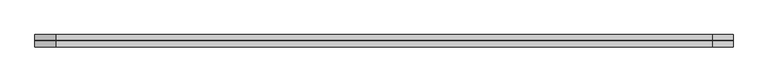
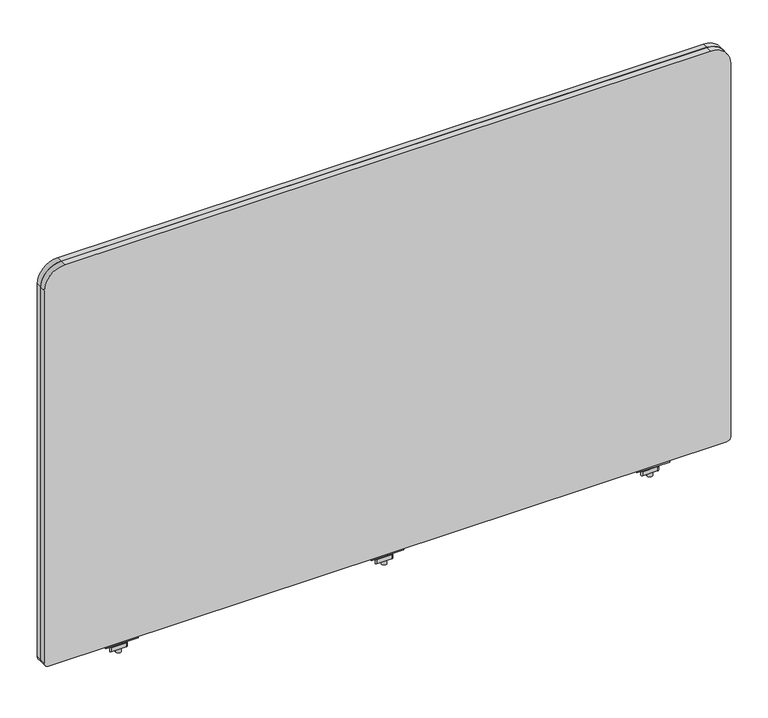
"""IFC4 building model written with IfcOpenShell, lengths in millimetres: furniture geometry."""

from ifc_helpers import new_model, si_unit, frame, origin, place, context, project, spatial, polyline, circle_curve, source, transform, mapped, element, save
from ifc_brep_helpers import plane_surface, cylinder_surface, revolved_surface, advanced_brep


def furniture_5d1065ba(model_context):
    return source(origin(), model_context, "Body", "AdvancedBrep", [
        advanced_brep(
        [(558.9013004, -29.196837, 670.6616072), (558.9013004, -33.5530914, 671.3021931), (558.9013004, -43.8905804, 671.3021931), (558.9013004, -48.246837, 670.6616072), (558.9013004, -48.246837, 668.8074326), (558.9013004, -29.196837, 668.8074326), (508.1013035, -29.196837, 670.6616072), (508.1013035, -29.196837, 668.8074326), (508.1013035, -48.246837, 668.8074326), (508.1013035, -48.246837, 670.6616072), (508.1013035, -43.8905804, 671.3021931), (508.1013035, -33.5530914, 671.3021931), (529.4085233, -38.7342719, 668.8074326), (537.3914767, -38.7342719, 668.8074326), (537.3914767, -38.7342719, 671.3021931), (529.4085233, -38.7342719, 671.3021931), (529.4085233, -38.7342719, 650.2879234), (537.3914767, -38.7342719, 650.2879234), (529.4085233, -38.7342719, 676.3883652), (537.3914767, -38.7342719, 676.3883652), (529.4085233, -38.7342719, 665.4211567), (537.3914767, -38.7342719, 665.4211567), (537.3914767, -38.7342719, 659.0711809), (529.4085233, -38.7342719, 659.0711809), (523.0839918, -33.0068357, 665.4211567), (516.9248209, -43.6748356, 665.4211567), (518.2446433, -45.9608347, 665.4211567), (541.2772346, -45.9608347, 665.4211567), (543.9168771, -44.4368361, 665.4211567), (550.0760487, -33.7688351, 665.4211567), (548.7562256, -31.4828349, 665.4211567), (525.7236383, -31.4828349, 665.4211567), (523.0839918, -33.0068357, 659.0711809), (525.7236383, -31.4828349, 659.0711809), (548.7562256, -31.4828349, 659.0711809), (550.0760487, -33.7688351, 659.0711809), (543.9168771, -44.4368361, 659.0711809), (541.2772346, -45.9608347, 659.0711809), (518.2446433, -45.9608347, 659.0711809), (516.9248209, -43.6748356, 659.0711809)],
        [
            (0, 1),
            (1, 2),
            (2, 3),
            (3, 4),
            (4, 5),
            (5, 0),
            (6, 7),
            (7, 8),
            (8, 9),
            (9, 10),
            (10, 11),
            (11, 6),
            (5, 7),
            (6, 0),
            (4, 8),
            (12, 13, circle_curve(frame((533.4, -38.7342719, 668.8074326), z_axis=(0.0, 0.0, 1.0), x_axis=(1.0, 0.0, 0.0)), 3.9914767)),
            (13, 12, circle_curve(frame((533.4, -38.7342719, 668.8074326), z_axis=(0.0, 0.0, 1.0), x_axis=(1.0, 0.0, 0.0)), 3.9914767)),
            (3, 9),
            (2, 10),
            (1, 11),
            (14, 15, circle_curve(frame((533.4, -38.7342719, 671.3021931), z_axis=(0.0, 0.0, -1.0), x_axis=(1.0, 0.0, 0.0)), 3.9914767)),
            (15, 14, circle_curve(frame((533.4, -38.7342719, 671.3021931), z_axis=(0.0, 0.0, -1.0), x_axis=(1.0, 0.0, 0.0)), 3.9914767)),
            (16, 17, circle_curve(frame((533.4, -38.7342719, 650.2879234), z_axis=(0.0, 0.0, -1.0), x_axis=(1.0, 0.0, 0.0)), 3.9914767)),
            (17, 16, circle_curve(frame((533.4, -38.7342719, 650.2879234), z_axis=(0.0, 0.0, -1.0), x_axis=(1.0, 0.0, 0.0)), 3.9914767)),
            (18, 19, circle_curve(frame((533.4, -38.7342719, 676.3883652), z_axis=(0.0, 0.0, 1.0), x_axis=(1.0, 0.0, 0.0)), 3.9914767)),
            (19, 18, circle_curve(frame((533.4, -38.7342719, 676.3883652), z_axis=(0.0, 0.0, 1.0), x_axis=(1.0, 0.0, 0.0)), 3.9914767)),
            (12, 20),
            (20, 21, circle_curve(frame((533.4, -38.7342719, 665.4211567), z_axis=(0.0, 0.0, 1.0), x_axis=(1.0, 0.0, 0.0)), 3.9914767)),
            (21, 13),
            (17, 22),
            (22, 23, circle_curve(frame((533.4, -38.7342719, 659.0711809), z_axis=(0.0, 0.0, -1.0), x_axis=(1.0, 0.0, 0.0)), 3.9914767)),
            (23, 16),
            (18, 15),
            (14, 19),
            (21, 20, circle_curve(frame((533.4, -38.7342719, 665.4211567), z_axis=(0.0, 0.0, 1.0), x_axis=(1.0, 0.0, 0.0)), 3.9914767)),
            (23, 22, circle_curve(frame((533.4, -38.7342719, 659.0711809), z_axis=(0.0, 0.0, -1.0), x_axis=(1.0, 0.0, 0.0)), 3.9914767)),
            (24, 25),
            (25, 26, circle_curve(frame((518.2446433, -44.4368352, 665.4211567), z_axis=(0.0, 0.0, 1.0), x_axis=(1.0, 0.0, 0.0)), 1.5239995)),
            (26, 27),
            (27, 28, circle_curve(frame((541.2772346, -42.9128382, 665.4211567), z_axis=(0.0, 0.0, 1.0), x_axis=(1.0, 0.0, 0.0)), 3.0479965)),
            (28, 29),
            (29, 30, circle_curve(frame((548.7562256, -33.0068351, 665.4211567), z_axis=(0.0, 0.0, 1.0), x_axis=(1.0, 0.0, 0.0)), 1.5240003)),
            (30, 31),
            (31, 24, circle_curve(frame((525.7236383, -34.5308359, 665.4211567), z_axis=(0.0, 0.0, 1.0), x_axis=(1.0, 0.0, 0.0)), 3.048001)),
            (32, 33, circle_curve(frame((525.7236383, -34.5308359, 659.0711809), z_axis=(0.0, 0.0, -1.0), x_axis=(1.0, 0.0, 0.0)), 3.048001)),
            (33, 34),
            (34, 35, circle_curve(frame((548.7562256, -33.0068351, 659.0711809), z_axis=(0.0, 0.0, -1.0), x_axis=(1.0, 0.0, 0.0)), 1.5240003)),
            (35, 36),
            (36, 37, circle_curve(frame((541.2772346, -42.9128382, 659.0711809), z_axis=(0.0, 0.0, -1.0), x_axis=(1.0, 0.0, 0.0)), 3.0479965)),
            (37, 38),
            (38, 39, circle_curve(frame((518.2446433, -44.4368352, 659.0711809), z_axis=(0.0, 0.0, -1.0), x_axis=(1.0, 0.0, 0.0)), 1.5239995)),
            (39, 32),
            (24, 32),
            (39, 25),
            (38, 26),
            (37, 27),
            (36, 28),
            (35, 29),
            (34, 30),
            (33, 31),
        ],
        [
            plane_surface(frame((558.9013004, -33.5530914, 671.3021931), z_axis=(1.0000000000000002, 0.0, 0.0), x_axis=(0.0, -0.9893604345476915, 0.14548515577749913))),
            plane_surface(frame((508.1013035, -33.5530914, 671.3021931), z_axis=(-1.0000000000000002, 0.0, 0.0), x_axis=(0.0, 0.9893604345476915, -0.14548515577749913))),
            plane_surface(frame((558.9013004, -29.196837, 668.8074326), z_axis=(0.0, 1.0, 0.0), x_axis=(-1.0, 0.0, 0.0))),
            plane_surface(frame((558.9013004, -48.246837, 668.8074326), z_axis=(0.0, 0.0, -1.0), x_axis=(-1.0, 0.0, 0.0))),
            plane_surface(frame((558.9013004, -48.246837, 670.6616072), z_axis=(0.0, -1.0, 0.0), x_axis=(-1.0, 0.0, 0.0))),
            plane_surface(frame((558.9013004, -43.8905804, 671.3021931), z_axis=(0.0, -0.1454850815406733, 0.9893604454641917), x_axis=(-1.0, 0.0, 0.0))),
            plane_surface(frame((558.9013004, -33.5530914, 671.3021931), z_axis=(0.0, 0.0, 1.0), x_axis=(-1.0, 0.0, 0.0))),
            plane_surface(frame((558.9013004, -29.196837, 670.6616072), z_axis=(0.0, 0.14548515577749913, 0.9893604345476915), x_axis=(-1.0, 0.0, 0.0))),
            plane_surface(frame((537.3914767, -38.7342719, 650.2879234), z_axis=(0.0, 0.0, -1.0), x_axis=(0.0, -1.0, 0.0))),
            plane_surface(frame((537.3914767, -38.7342719, 676.3883652), z_axis=(0.0, 0.0, 1.0), x_axis=(0.0, 1.0, 0.0))),
            cylinder_surface(frame((533.4, -38.7342719, 650.2879234), z_axis=(0.0, 0.0, 1.0), x_axis=(1.0, 0.0, 0.0)), 3.9914767),
            plane_surface(frame((516.9248201, -43.6748369, 665.4211567), z_axis=(0.0, 0.0, 1.0000000000000002), x_axis=(-0.4999998964528706, -0.8660254635673935, 0.0))),
            plane_surface(frame((516.9248201, -43.6748369, 659.0711809), z_axis=(0.0, 0.0, -1.0000000000000002), x_axis=(0.4999998964528706, 0.8660254635673935, 0.0))),
            plane_surface(frame((523.0839918, -33.0068357, 665.4211567), z_axis=(-0.8660254635673935, 0.4999998964528706, 0.0), x_axis=(0.0, 0.0, -1.0))),
            cylinder_surface(frame((518.2446433, -44.4368352, 659.0711809), z_axis=(0.0, 0.0, 1.0), x_axis=(1.0, 0.0, 0.0)), 1.5239995),
            plane_surface(frame((518.2446433, -45.9608347, 665.4211567), z_axis=(0.0, -1.0, 0.0), x_axis=(0.0, 0.0, -1.0))),
            cylinder_surface(frame((541.2772346, -42.9128382, 659.0711809), z_axis=(0.0, 0.0, 1.0), x_axis=(1.0, 0.0, 0.0)), 3.0479965),
            plane_surface(frame((543.9168771, -44.4368361, 665.4211567), z_axis=(0.8660254635674228, -0.4999998964528197, 0.0), x_axis=(0.0, 0.0, -1.0))),
            cylinder_surface(frame((548.7562256, -33.0068351, 659.0711809), z_axis=(0.0, 0.0, 1.0), x_axis=(1.0, 0.0, 0.0)), 1.5240003),
            plane_surface(frame((548.7562256, -31.4828349, 665.4211567), z_axis=(0.0, 1.0, 0.0), x_axis=(0.0, 0.0, -1.0))),
            cylinder_surface(frame((525.7236383, -34.5308359, 659.0711809), z_axis=(0.0, 0.0, 1.0), x_axis=(1.0, 0.0, 0.0)), 3.048001),
        ],
        [
            (0, [[1, 2, 3, 4, 5, 6]]),
            (1, [[7, 8, 9, 10, 11, 12]]),
            (2, [[-6, 13, -7, 14]]),
            (3, [[-5, 15, -8, -13], [16, 17]]),
            (4, [[-4, 18, -9, -15]]),
            (5, [[-3, 19, -10, -18]]),
            (6, [[-2, 20, -11, -19], [21, 22]]),
            (7, [[-1, -14, -12, -20]]),
            (8, [[23, 24]]),
            (9, [[25, 26]]),
            (10, [[-16, 27, 28, 29]]),
            (10, [[-24, 30, 31, 32]]),
            (10, [[-25, 33, -21, 34]]),
            (10, [[-17, -29, 35, -27]]),
            (10, [[-23, -32, 36, -30]]),
            (10, [[-26, -34, -22, -33]]),
            (11, [[37, 38, 39, 40, 41, 42, 43, 44], [-28, -35]]),
            (12, [[45, 46, 47, 48, 49, 50, 51, 52], [-31, -36]]),
            (13, [[-37, 53, -52, 54]]),
            (14, [[-38, -54, -51, 55]]),
            (15, [[-39, -55, -50, 56]]),
            (16, [[-40, -56, -49, 57]]),
            (17, [[-41, -57, -48, 58]]),
            (18, [[-42, -58, -47, 59]]),
            (19, [[-43, -59, -46, 60]]),
            (20, [[-44, -60, -45, -53]]),
        ],
    ),
        advanced_brep(
        [(970.6353004, -29.196837, 670.6616072), (970.6353004, -33.5530914, 671.3021931), (970.6353004, -43.8905804, 671.3021931), (970.6353004, -48.246837, 670.6616072), (970.6353004, -48.246837, 668.8074326), (970.6353004, -29.196837, 668.8074326), (919.8353035, -29.196837, 670.6616072), (919.8353035, -29.196837, 668.8074326), (919.8353035, -48.246837, 668.8074326), (919.8353035, -48.246837, 670.6616072), (919.8353035, -43.8905804, 671.3021931), (919.8353035, -33.5530914, 671.3021931), (941.1425233, -38.7342719, 668.8074326), (949.1254767, -38.7342719, 668.8074326), (949.1254767, -38.7342719, 671.3021931), (941.1425233, -38.7342719, 671.3021931), (941.1425233, -38.7342719, 650.2879234), (949.1254767, -38.7342719, 650.2879234), (941.1425233, -38.7342719, 676.3883652), (949.1254767, -38.7342719, 676.3883652), (941.1425233, -38.7342719, 665.4211567), (949.1254767, -38.7342719, 665.4211567), (949.1254767, -38.7342719, 659.0711809), (941.1425233, -38.7342719, 659.0711809), (934.8179918, -33.0068357, 665.4211567), (928.6588209, -43.6748356, 665.4211567), (929.9786433, -45.9608347, 665.4211567), (953.0112346, -45.9608347, 665.4211567), (955.6508771, -44.4368361, 665.4211567), (961.8100487, -33.7688351, 665.4211567), (960.4902256, -31.4828349, 665.4211567), (937.4576383, -31.4828349, 665.4211567), (934.8179918, -33.0068357, 659.0711809), (937.4576383, -31.4828349, 659.0711809), (960.4902256, -31.4828349, 659.0711809), (961.8100487, -33.7688351, 659.0711809), (955.6508771, -44.4368361, 659.0711809), (953.0112346, -45.9608347, 659.0711809), (929.9786433, -45.9608347, 659.0711809), (928.6588209, -43.6748356, 659.0711809)],
        [
            (0, 1),
            (1, 2),
            (2, 3),
            (3, 4),
            (4, 5),
            (5, 0),
            (6, 7),
            (7, 8),
            (8, 9),
            (9, 10),
            (10, 11),
            (11, 6),
            (5, 7),
            (6, 0),
            (4, 8),
            (12, 13, circle_curve(frame((945.134, -38.7342719, 668.8074326), z_axis=(0.0, 0.0, 1.0), x_axis=(1.0, 0.0, 0.0)), 3.9914767)),
            (13, 12, circle_curve(frame((945.134, -38.7342719, 668.8074326), z_axis=(0.0, 0.0, 1.0), x_axis=(1.0, 0.0, 0.0)), 3.9914767)),
            (3, 9),
            (2, 10),
            (1, 11),
            (14, 15, circle_curve(frame((945.134, -38.7342719, 671.3021931), z_axis=(0.0, 0.0, -1.0), x_axis=(1.0, 0.0, 0.0)), 3.9914767)),
            (15, 14, circle_curve(frame((945.134, -38.7342719, 671.3021931), z_axis=(0.0, 0.0, -1.0), x_axis=(1.0, 0.0, 0.0)), 3.9914767)),
            (16, 17, circle_curve(frame((945.134, -38.7342719, 650.2879234), z_axis=(0.0, 0.0, -1.0), x_axis=(1.0, 0.0, 0.0)), 3.9914767)),
            (17, 16, circle_curve(frame((945.134, -38.7342719, 650.2879234), z_axis=(0.0, 0.0, -1.0), x_axis=(1.0, 0.0, 0.0)), 3.9914767)),
            (18, 19, circle_curve(frame((945.134, -38.7342719, 676.3883652), z_axis=(0.0, 0.0, 1.0), x_axis=(1.0, 0.0, 0.0)), 3.9914767)),
            (19, 18, circle_curve(frame((945.134, -38.7342719, 676.3883652), z_axis=(0.0, 0.0, 1.0), x_axis=(1.0, 0.0, 0.0)), 3.9914767)),
            (12, 20),
            (20, 21, circle_curve(frame((945.134, -38.7342719, 665.4211567), z_axis=(0.0, 0.0, 1.0), x_axis=(1.0, 0.0, 0.0)), 3.9914767)),
            (21, 13),
            (17, 22),
            (22, 23, circle_curve(frame((945.134, -38.7342719, 659.0711809), z_axis=(0.0, 0.0, -1.0), x_axis=(1.0, 0.0, 0.0)), 3.9914767)),
            (23, 16),
            (18, 15),
            (14, 19),
            (21, 20, circle_curve(frame((945.134, -38.7342719, 665.4211567), z_axis=(0.0, 0.0, 1.0), x_axis=(1.0, 0.0, 0.0)), 3.9914767)),
            (23, 22, circle_curve(frame((945.134, -38.7342719, 659.0711809), z_axis=(0.0, 0.0, -1.0), x_axis=(1.0, 0.0, 0.0)), 3.9914767)),
            (24, 25),
            (25, 26, circle_curve(frame((929.9786433, -44.4368352, 665.4211567), z_axis=(0.0, 0.0, 1.0), x_axis=(1.0, 0.0, 0.0)), 1.5239995)),
            (26, 27),
            (27, 28, circle_curve(frame((953.0112346, -42.9128382, 665.4211567), z_axis=(0.0, 0.0, 1.0), x_axis=(1.0, 0.0, 0.0)), 3.0479965)),
            (28, 29),
            (29, 30, circle_curve(frame((960.4902256, -33.0068351, 665.4211567), z_axis=(0.0, 0.0, 1.0), x_axis=(1.0, 0.0, 0.0)), 1.5240003)),
            (30, 31),
            (31, 24, circle_curve(frame((937.4576383, -34.5308359, 665.4211567), z_axis=(0.0, 0.0, 1.0), x_axis=(1.0, 0.0, 0.0)), 3.048001)),
            (32, 33, circle_curve(frame((937.4576383, -34.5308359, 659.0711809), z_axis=(0.0, 0.0, -1.0), x_axis=(1.0, 0.0, 0.0)), 3.048001)),
            (33, 34),
            (34, 35, circle_curve(frame((960.4902256, -33.0068351, 659.0711809), z_axis=(0.0, 0.0, -1.0), x_axis=(1.0, 0.0, 0.0)), 1.5240003)),
            (35, 36),
            (36, 37, circle_curve(frame((953.0112346, -42.9128382, 659.0711809), z_axis=(0.0, 0.0, -1.0), x_axis=(1.0, 0.0, 0.0)), 3.0479965)),
            (37, 38),
            (38, 39, circle_curve(frame((929.9786433, -44.4368352, 659.0711809), z_axis=(0.0, 0.0, -1.0), x_axis=(1.0, 0.0, 0.0)), 1.5239995)),
            (39, 32),
            (24, 32),
            (39, 25),
            (38, 26),
            (37, 27),
            (36, 28),
            (35, 29),
            (34, 30),
            (33, 31),
        ],
        [
            plane_surface(frame((970.6353004, -33.5530914, 671.3021931), z_axis=(1.0000000000000002, 0.0, 0.0), x_axis=(0.0, -0.9893604345476915, 0.14548515577749913))),
            plane_surface(frame((919.8353035, -33.5530914, 671.3021931), z_axis=(-1.0000000000000002, 0.0, 0.0), x_axis=(0.0, 0.9893604345476915, -0.14548515577749913))),
            plane_surface(frame((970.6353004, -29.196837, 668.8074326), z_axis=(0.0, 1.0, 0.0), x_axis=(-1.0, 0.0, 0.0))),
            plane_surface(frame((970.6353004, -48.246837, 668.8074326), z_axis=(0.0, 0.0, -1.0), x_axis=(-1.0, 0.0, 0.0))),
            plane_surface(frame((970.6353004, -48.246837, 670.6616072), z_axis=(0.0, -1.0, 0.0), x_axis=(-1.0, 0.0, 0.0))),
            plane_surface(frame((970.6353004, -43.8905804, 671.3021931), z_axis=(0.0, -0.1454850815406733, 0.9893604454641917), x_axis=(-1.0, 0.0, 0.0))),
            plane_surface(frame((970.6353004, -33.5530914, 671.3021931), z_axis=(0.0, 0.0, 1.0), x_axis=(-1.0, 0.0, 0.0))),
            plane_surface(frame((970.6353004, -29.196837, 670.6616072), z_axis=(0.0, 0.14548515577749913, 0.9893604345476915), x_axis=(-1.0, 0.0, 0.0))),
            plane_surface(frame((949.1254767, -38.7342719, 650.2879234), z_axis=(0.0, 0.0, -1.0), x_axis=(0.0, -1.0, 0.0))),
            plane_surface(frame((949.1254767, -38.7342719, 676.3883652), z_axis=(0.0, 0.0, 1.0), x_axis=(0.0, 1.0, 0.0))),
            cylinder_surface(frame((945.134, -38.7342719, 650.2879234), z_axis=(0.0, 0.0, 1.0), x_axis=(1.0, 0.0, 0.0)), 3.9914767),
            plane_surface(frame((928.6588201, -43.6748369, 665.4211567), z_axis=(0.0, 0.0, 1.0000000000000002), x_axis=(-0.4999998964528706, -0.8660254635673935, 0.0))),
            plane_surface(frame((928.6588201, -43.6748369, 659.0711809), z_axis=(0.0, 0.0, -1.0000000000000002), x_axis=(0.4999998964528706, 0.8660254635673935, 0.0))),
            plane_surface(frame((934.8179918, -33.0068357, 665.4211567), z_axis=(-0.8660254635673935, 0.4999998964528706, 0.0), x_axis=(0.0, 0.0, -1.0))),
            cylinder_surface(frame((929.9786433, -44.4368352, 659.0711809), z_axis=(0.0, 0.0, 1.0), x_axis=(1.0, 0.0, 0.0)), 1.5239995),
            plane_surface(frame((929.9786433, -45.9608347, 665.4211567), z_axis=(0.0, -1.0, 0.0), x_axis=(0.0, 0.0, -1.0))),
            cylinder_surface(frame((953.0112346, -42.9128382, 659.0711809), z_axis=(0.0, 0.0, 1.0), x_axis=(1.0, 0.0, 0.0)), 3.0479965),
            plane_surface(frame((955.6508771, -44.4368361, 665.4211567), z_axis=(0.8660254635674228, -0.4999998964528197, 0.0), x_axis=(0.0, 0.0, -1.0))),
            cylinder_surface(frame((960.4902256, -33.0068351, 659.0711809), z_axis=(0.0, 0.0, 1.0), x_axis=(1.0, 0.0, 0.0)), 1.5240003),
            plane_surface(frame((960.4902256, -31.4828349, 665.4211567), z_axis=(0.0, 1.0, 0.0), x_axis=(0.0, 0.0, -1.0))),
            cylinder_surface(frame((937.4576383, -34.5308359, 659.0711809), z_axis=(0.0, 0.0, 1.0), x_axis=(1.0, 0.0, 0.0)), 3.048001),
        ],
        [
            (0, [[1, 2, 3, 4, 5, 6]]),
            (1, [[7, 8, 9, 10, 11, 12]]),
            (2, [[-6, 13, -7, 14]]),
            (3, [[-5, 15, -8, -13], [16, 17]]),
            (4, [[-4, 18, -9, -15]]),
            (5, [[-3, 19, -10, -18]]),
            (6, [[-2, 20, -11, -19], [21, 22]]),
            (7, [[-1, -14, -12, -20]]),
            (8, [[23, 24]]),
            (9, [[25, 26]]),
            (10, [[-16, 27, 28, 29]]),
            (10, [[-24, 30, 31, 32]]),
            (10, [[-25, 33, -21, 34]]),
            (10, [[-17, -29, 35, -27]]),
            (10, [[-23, -32, 36, -30]]),
            (10, [[-26, -34, -22, -33]]),
            (11, [[37, 38, 39, 40, 41, 42, 43, 44], [-28, -35]]),
            (12, [[45, 46, 47, 48, 49, 50, 51, 52], [-31, -36]]),
            (13, [[-37, 53, -52, 54]]),
            (14, [[-38, -54, -51, 55]]),
            (15, [[-39, -55, -50, 56]]),
            (16, [[-40, -56, -49, 57]]),
            (17, [[-41, -57, -48, 58]]),
            (18, [[-42, -58, -47, 59]]),
            (19, [[-43, -59, -46, 60]]),
            (20, [[-44, -60, -45, -53]]),
        ],
    ),
        advanced_brep(
        [(558.9013004, -29.196837, 670.6616072), (558.9013004, -33.5530914, 671.3021931), (558.9013004, -43.8905804, 671.3021931), (558.9013004, -48.246837, 670.6616072), (558.9013004, -48.246837, 668.8074326), (558.9013004, -29.196837, 668.8074326), (508.1013035, -29.196837, 670.6616072), (508.1013035, -29.196837, 668.8074326), (508.1013035, -48.246837, 668.8074326), (508.1013035, -48.246837, 670.6616072), (508.1013035, -43.8905804, 671.3021931), (508.1013035, -33.5530914, 671.3021931), (529.4085233, -38.7342719, 668.8074326), (537.3914767, -38.7342719, 668.8074326), (537.3914767, -38.7342719, 671.3021931), (529.4085233, -38.7342719, 671.3021931), (529.4085233, -38.7342719, 650.2879234), (537.3914767, -38.7342719, 650.2879234), (529.4085233, -38.7342719, 676.3883652), (537.3914767, -38.7342719, 676.3883652), (529.4085233, -38.7342719, 665.4211567), (537.3914767, -38.7342719, 665.4211567), (537.3914767, -38.7342719, 659.0711809), (529.4085233, -38.7342719, 659.0711809), (523.0839918, -33.0068357, 665.4211567), (516.9248209, -43.6748356, 665.4211567), (518.2446433, -45.9608347, 665.4211567), (541.2772346, -45.9608347, 665.4211567), (543.9168771, -44.4368361, 665.4211567), (550.0760487, -33.7688351, 665.4211567), (548.7562256, -31.4828349, 665.4211567), (525.7236383, -31.4828349, 665.4211567), (523.0839918, -33.0068357, 659.0711809), (525.7236383, -31.4828349, 659.0711809), (548.7562256, -31.4828349, 659.0711809), (550.0760487, -33.7688351, 659.0711809), (543.9168771, -44.4368361, 659.0711809), (541.2772346, -45.9608347, 659.0711809), (518.2446433, -45.9608347, 659.0711809), (516.9248209, -43.6748356, 659.0711809)],
        [
            (0, 1),
            (1, 2),
            (2, 3),
            (3, 4),
            (4, 5),
            (5, 0),
            (6, 7),
            (7, 8),
            (8, 9),
            (9, 10),
            (10, 11),
            (11, 6),
            (5, 7),
            (6, 0),
            (4, 8),
            (12, 13, circle_curve(frame((533.4, -38.7342719, 668.8074326), z_axis=(0.0, 0.0, 1.0), x_axis=(1.0, 0.0, 0.0)), 3.9914767)),
            (13, 12, circle_curve(frame((533.4, -38.7342719, 668.8074326), z_axis=(0.0, 0.0, 1.0), x_axis=(1.0, 0.0, 0.0)), 3.9914767)),
            (3, 9),
            (2, 10),
            (1, 11),
            (14, 15, circle_curve(frame((533.4, -38.7342719, 671.3021931), z_axis=(0.0, 0.0, -1.0), x_axis=(1.0, 0.0, 0.0)), 3.9914767)),
            (15, 14, circle_curve(frame((533.4, -38.7342719, 671.3021931), z_axis=(0.0, 0.0, -1.0), x_axis=(1.0, 0.0, 0.0)), 3.9914767)),
            (16, 17, circle_curve(frame((533.4, -38.7342719, 650.2879234), z_axis=(0.0, 0.0, -1.0), x_axis=(1.0, 0.0, 0.0)), 3.9914767)),
            (17, 16, circle_curve(frame((533.4, -38.7342719, 650.2879234), z_axis=(0.0, 0.0, -1.0), x_axis=(1.0, 0.0, 0.0)), 3.9914767)),
            (18, 19, circle_curve(frame((533.4, -38.7342719, 676.3883652), z_axis=(0.0, 0.0, 1.0), x_axis=(1.0, 0.0, 0.0)), 3.9914767)),
            (19, 18, circle_curve(frame((533.4, -38.7342719, 676.3883652), z_axis=(0.0, 0.0, 1.0), x_axis=(1.0, 0.0, 0.0)), 3.9914767)),
            (12, 20),
            (20, 21, circle_curve(frame((533.4, -38.7342719, 665.4211567), z_axis=(0.0, 0.0, 1.0), x_axis=(1.0, 0.0, 0.0)), 3.9914767)),
            (21, 13),
            (17, 22),
            (22, 23, circle_curve(frame((533.4, -38.7342719, 659.0711809), z_axis=(0.0, 0.0, -1.0), x_axis=(1.0, 0.0, 0.0)), 3.9914767)),
            (23, 16),
            (18, 15),
            (14, 19),
            (21, 20, circle_curve(frame((533.4, -38.7342719, 665.4211567), z_axis=(0.0, 0.0, 1.0), x_axis=(1.0, 0.0, 0.0)), 3.9914767)),
            (23, 22, circle_curve(frame((533.4, -38.7342719, 659.0711809), z_axis=(0.0, 0.0, -1.0), x_axis=(1.0, 0.0, 0.0)), 3.9914767)),
            (24, 25),
            (25, 26, circle_curve(frame((518.2446433, -44.4368352, 665.4211567), z_axis=(0.0, 0.0, 1.0), x_axis=(1.0, 0.0, 0.0)), 1.5239995)),
            (26, 27),
            (27, 28, circle_curve(frame((541.2772346, -42.9128382, 665.4211567), z_axis=(0.0, 0.0, 1.0), x_axis=(1.0, 0.0, 0.0)), 3.0479965)),
            (28, 29),
            (29, 30, circle_curve(frame((548.7562256, -33.0068351, 665.4211567), z_axis=(0.0, 0.0, 1.0), x_axis=(1.0, 0.0, 0.0)), 1.5240003)),
            (30, 31),
            (31, 24, circle_curve(frame((525.7236383, -34.5308359, 665.4211567), z_axis=(0.0, 0.0, 1.0), x_axis=(1.0, 0.0, 0.0)), 3.048001)),
            (32, 33, circle_curve(frame((525.7236383, -34.5308359, 659.0711809), z_axis=(0.0, 0.0, -1.0), x_axis=(1.0, 0.0, 0.0)), 3.048001)),
            (33, 34),
            (34, 35, circle_curve(frame((548.7562256, -33.0068351, 659.0711809), z_axis=(0.0, 0.0, -1.0), x_axis=(1.0, 0.0, 0.0)), 1.5240003)),
            (35, 36),
            (36, 37, circle_curve(frame((541.2772346, -42.9128382, 659.0711809), z_axis=(0.0, 0.0, -1.0), x_axis=(1.0, 0.0, 0.0)), 3.0479965)),
            (37, 38),
            (38, 39, circle_curve(frame((518.2446433, -44.4368352, 659.0711809), z_axis=(0.0, 0.0, -1.0), x_axis=(1.0, 0.0, 0.0)), 1.5239995)),
            (39, 32),
            (24, 32),
            (39, 25),
            (38, 26),
            (37, 27),
            (36, 28),
            (35, 29),
            (34, 30),
            (33, 31),
        ],
        [
            plane_surface(frame((558.9013004, -33.5530914, 671.3021931), z_axis=(1.0000000000000002, 0.0, 0.0), x_axis=(0.0, -0.9893604345476915, 0.14548515577749913))),
            plane_surface(frame((508.1013035, -33.5530914, 671.3021931), z_axis=(-1.0000000000000002, 0.0, 0.0), x_axis=(0.0, 0.9893604345476915, -0.14548515577749913))),
            plane_surface(frame((558.9013004, -29.196837, 668.8074326), z_axis=(0.0, 1.0, 0.0), x_axis=(-1.0, 0.0, 0.0))),
            plane_surface(frame((558.9013004, -48.246837, 668.8074326), z_axis=(0.0, 0.0, -1.0), x_axis=(-1.0, 0.0, 0.0))),
            plane_surface(frame((558.9013004, -48.246837, 670.6616072), z_axis=(0.0, -1.0, 0.0), x_axis=(-1.0, 0.0, 0.0))),
            plane_surface(frame((558.9013004, -43.8905804, 671.3021931), z_axis=(0.0, -0.1454850815406733, 0.9893604454641917), x_axis=(-1.0, 0.0, 0.0))),
            plane_surface(frame((558.9013004, -33.5530914, 671.3021931), z_axis=(0.0, 0.0, 1.0), x_axis=(-1.0, 0.0, 0.0))),
            plane_surface(frame((558.9013004, -29.196837, 670.6616072), z_axis=(0.0, 0.14548515577749913, 0.9893604345476915), x_axis=(-1.0, 0.0, 0.0))),
            plane_surface(frame((537.3914767, -38.7342719, 650.2879234), z_axis=(0.0, 0.0, -1.0), x_axis=(0.0, -1.0, 0.0))),
            plane_surface(frame((537.3914767, -38.7342719, 676.3883652), z_axis=(0.0, 0.0, 1.0), x_axis=(0.0, 1.0, 0.0))),
            cylinder_surface(frame((533.4, -38.7342719, 650.2879234), z_axis=(0.0, 0.0, 1.0), x_axis=(1.0, 0.0, 0.0)), 3.9914767),
            plane_surface(frame((516.9248201, -43.6748369, 665.4211567), z_axis=(0.0, 0.0, 1.0000000000000002), x_axis=(-0.4999998964528706, -0.8660254635673935, 0.0))),
            plane_surface(frame((516.9248201, -43.6748369, 659.0711809), z_axis=(0.0, 0.0, -1.0000000000000002), x_axis=(0.4999998964528706, 0.8660254635673935, 0.0))),
            plane_surface(frame((523.0839918, -33.0068357, 665.4211567), z_axis=(-0.8660254635673935, 0.4999998964528706, 0.0), x_axis=(0.0, 0.0, -1.0))),
            cylinder_surface(frame((518.2446433, -44.4368352, 659.0711809), z_axis=(0.0, 0.0, 1.0), x_axis=(1.0, 0.0, 0.0)), 1.5239995),
            plane_surface(frame((518.2446433, -45.9608347, 665.4211567), z_axis=(0.0, -1.0, 0.0), x_axis=(0.0, 0.0, -1.0))),
            cylinder_surface(frame((541.2772346, -42.9128382, 659.0711809), z_axis=(0.0, 0.0, 1.0), x_axis=(1.0, 0.0, 0.0)), 3.0479965),
            plane_surface(frame((543.9168771, -44.4368361, 665.4211567), z_axis=(0.8660254635674228, -0.4999998964528197, 0.0), x_axis=(0.0, 0.0, -1.0))),
            cylinder_surface(frame((548.7562256, -33.0068351, 659.0711809), z_axis=(0.0, 0.0, 1.0), x_axis=(1.0, 0.0, 0.0)), 1.5240003),
            plane_surface(frame((548.7562256, -31.4828349, 665.4211567), z_axis=(0.0, 1.0, 0.0), x_axis=(0.0, 0.0, -1.0))),
            cylinder_surface(frame((525.7236383, -34.5308359, 659.0711809), z_axis=(0.0, 0.0, 1.0), x_axis=(1.0, 0.0, 0.0)), 3.048001),
        ],
        [
            (0, [[1, 2, 3, 4, 5, 6]]),
            (1, [[7, 8, 9, 10, 11, 12]]),
            (2, [[-6, 13, -7, 14]]),
            (3, [[-5, 15, -8, -13], [16, 17]]),
            (4, [[-4, 18, -9, -15]]),
            (5, [[-3, 19, -10, -18]]),
            (6, [[-2, 20, -11, -19], [21, 22]]),
            (7, [[-1, -14, -12, -20]]),
            (8, [[23, 24]]),
            (9, [[25, 26]]),
            (10, [[-16, 27, 28, 29]]),
            (10, [[-24, 30, 31, 32]]),
            (10, [[-25, 33, -21, 34]]),
            (10, [[-17, -29, 35, -27]]),
            (10, [[-23, -32, 36, -30]]),
            (10, [[-26, -34, -22, -33]]),
            (11, [[37, 38, 39, 40, 41, 42, 43, 44], [-28, -35]]),
            (12, [[45, 46, 47, 48, 49, 50, 51, 52], [-31, -36]]),
            (13, [[-37, 53, -52, 54]]),
            (14, [[-38, -54, -51, 55]]),
            (15, [[-39, -55, -50, 56]]),
            (16, [[-40, -56, -49, 57]]),
            (17, [[-41, -57, -48, 58]]),
            (18, [[-42, -58, -47, 59]]),
            (19, [[-43, -59, -46, 60]]),
            (20, [[-44, -60, -45, -53]]),
        ],
    ),
        advanced_brep(
        [(147.1673004, -29.196837, 670.6616072), (147.1673004, -33.5530914, 671.3021931), (147.1673004, -43.8905804, 671.3021931), (147.1673004, -48.246837, 670.6616072), (147.1673004, -48.246837, 668.8074326), (147.1673004, -29.196837, 668.8074326), (96.3673035, -29.196837, 670.6616072), (96.3673035, -29.196837, 668.8074326), (96.3673035, -48.246837, 668.8074326), (96.3673035, -48.246837, 670.6616072), (96.3673035, -43.8905804, 671.3021931), (96.3673035, -33.5530914, 671.3021931), (117.6745233, -38.7342719, 668.8074326), (125.6574767, -38.7342719, 668.8074326), (125.6574767, -38.7342719, 671.3021931), (117.6745233, -38.7342719, 671.3021931), (117.6745233, -38.7342719, 650.2879234), (125.6574767, -38.7342719, 650.2879234), (117.6745233, -38.7342719, 676.3883652), (125.6574767, -38.7342719, 676.3883652), (117.6745233, -38.7342719, 665.4211567), (125.6574767, -38.7342719, 665.4211567), (125.6574767, -38.7342719, 659.0711809), (117.6745233, -38.7342719, 659.0711809), (111.3499918, -33.0068357, 665.4211567), (105.1908209, -43.6748356, 665.4211567), (106.5106433, -45.9608347, 665.4211567), (129.5432346, -45.9608347, 665.4211567), (132.1828771, -44.4368361, 665.4211567), (138.3420487, -33.7688351, 665.4211567), (137.0222256, -31.4828349, 665.4211567), (113.9896383, -31.4828349, 665.4211567), (111.3499918, -33.0068357, 659.0711809), (113.9896383, -31.4828349, 659.0711809), (137.0222256, -31.4828349, 659.0711809), (138.3420487, -33.7688351, 659.0711809), (132.1828771, -44.4368361, 659.0711809), (129.5432346, -45.9608347, 659.0711809), (106.5106433, -45.9608347, 659.0711809), (105.1908209, -43.6748356, 659.0711809)],
        [
            (0, 1),
            (1, 2),
            (2, 3),
            (3, 4),
            (4, 5),
            (5, 0),
            (6, 7),
            (7, 8),
            (8, 9),
            (9, 10),
            (10, 11),
            (11, 6),
            (5, 7),
            (6, 0),
            (4, 8),
            (12, 13, circle_curve(frame((121.666, -38.7342719, 668.8074326), z_axis=(0.0, 0.0, 1.0), x_axis=(1.0, 0.0, 0.0)), 3.9914767)),
            (13, 12, circle_curve(frame((121.666, -38.7342719, 668.8074326), z_axis=(0.0, 0.0, 1.0), x_axis=(1.0, 0.0, 0.0)), 3.9914767)),
            (3, 9),
            (2, 10),
            (1, 11),
            (14, 15, circle_curve(frame((121.666, -38.7342719, 671.3021931), z_axis=(0.0, 0.0, -1.0), x_axis=(1.0, 0.0, 0.0)), 3.9914767)),
            (15, 14, circle_curve(frame((121.666, -38.7342719, 671.3021931), z_axis=(0.0, 0.0, -1.0), x_axis=(1.0, 0.0, 0.0)), 3.9914767)),
            (16, 17, circle_curve(frame((121.666, -38.7342719, 650.2879234), z_axis=(0.0, 0.0, -1.0), x_axis=(1.0, 0.0, 0.0)), 3.9914767)),
            (17, 16, circle_curve(frame((121.666, -38.7342719, 650.2879234), z_axis=(0.0, 0.0, -1.0), x_axis=(1.0, 0.0, 0.0)), 3.9914767)),
            (18, 19, circle_curve(frame((121.666, -38.7342719, 676.3883652), z_axis=(0.0, 0.0, 1.0), x_axis=(1.0, 0.0, 0.0)), 3.9914767)),
            (19, 18, circle_curve(frame((121.666, -38.7342719, 676.3883652), z_axis=(0.0, 0.0, 1.0), x_axis=(1.0, 0.0, 0.0)), 3.9914767)),
            (12, 20),
            (20, 21, circle_curve(frame((121.666, -38.7342719, 665.4211567), z_axis=(0.0, 0.0, 1.0), x_axis=(1.0, 0.0, 0.0)), 3.9914767)),
            (21, 13),
            (17, 22),
            (22, 23, circle_curve(frame((121.666, -38.7342719, 659.0711809), z_axis=(0.0, 0.0, -1.0), x_axis=(1.0, 0.0, 0.0)), 3.9914767)),
            (23, 16),
            (18, 15),
            (14, 19),
            (21, 20, circle_curve(frame((121.666, -38.7342719, 665.4211567), z_axis=(0.0, 0.0, 1.0), x_axis=(1.0, 0.0, 0.0)), 3.9914767)),
            (23, 22, circle_curve(frame((121.666, -38.7342719, 659.0711809), z_axis=(0.0, 0.0, -1.0), x_axis=(1.0, 0.0, 0.0)), 3.9914767)),
            (24, 25),
            (25, 26, circle_curve(frame((106.5106433, -44.4368352, 665.4211567), z_axis=(0.0, 0.0, 1.0), x_axis=(1.0, 0.0, 0.0)), 1.5239995)),
            (26, 27),
            (27, 28, circle_curve(frame((129.5432346, -42.9128382, 665.4211567), z_axis=(0.0, 0.0, 1.0), x_axis=(1.0, 0.0, 0.0)), 3.0479965)),
            (28, 29),
            (29, 30, circle_curve(frame((137.0222256, -33.0068351, 665.4211567), z_axis=(0.0, 0.0, 1.0), x_axis=(1.0, 0.0, 0.0)), 1.5240003)),
            (30, 31),
            (31, 24, circle_curve(frame((113.9896383, -34.5308359, 665.4211567), z_axis=(0.0, 0.0, 1.0), x_axis=(1.0, 0.0, 0.0)), 3.048001)),
            (32, 33, circle_curve(frame((113.9896383, -34.5308359, 659.0711809), z_axis=(0.0, 0.0, -1.0), x_axis=(1.0, 0.0, 0.0)), 3.048001)),
            (33, 34),
            (34, 35, circle_curve(frame((137.0222256, -33.0068351, 659.0711809), z_axis=(0.0, 0.0, -1.0), x_axis=(1.0, 0.0, 0.0)), 1.5240003)),
            (35, 36),
            (36, 37, circle_curve(frame((129.5432346, -42.9128382, 659.0711809), z_axis=(0.0, 0.0, -1.0), x_axis=(1.0, 0.0, 0.0)), 3.0479965)),
            (37, 38),
            (38, 39, circle_curve(frame((106.5106433, -44.4368352, 659.0711809), z_axis=(0.0, 0.0, -1.0), x_axis=(1.0, 0.0, 0.0)), 1.5239995)),
            (39, 32),
            (24, 32),
            (39, 25),
            (38, 26),
            (37, 27),
            (36, 28),
            (35, 29),
            (34, 30),
            (33, 31),
        ],
        [
            plane_surface(frame((147.1673004, -33.5530914, 671.3021931), z_axis=(1.0000000000000002, 0.0, 0.0), x_axis=(0.0, -0.9893604345476915, 0.14548515577749913))),
            plane_surface(frame((96.3673035, -33.5530914, 671.3021931), z_axis=(-1.0000000000000002, 0.0, 0.0), x_axis=(0.0, 0.9893604345476915, -0.14548515577749913))),
            plane_surface(frame((147.1673004, -29.196837, 668.8074326), z_axis=(0.0, 1.0, 0.0), x_axis=(-1.0, 0.0, 0.0))),
            plane_surface(frame((147.1673004, -48.246837, 668.8074326), z_axis=(0.0, 0.0, -1.0), x_axis=(-1.0, 0.0, 0.0))),
            plane_surface(frame((147.1673004, -48.246837, 670.6616072), z_axis=(0.0, -1.0, 0.0), x_axis=(-1.0, 0.0, 0.0))),
            plane_surface(frame((147.1673004, -43.8905804, 671.3021931), z_axis=(0.0, -0.1454850815406733, 0.9893604454641917), x_axis=(-1.0, 0.0, 0.0))),
            plane_surface(frame((147.1673004, -33.5530914, 671.3021931), z_axis=(0.0, 0.0, 1.0), x_axis=(-1.0, 0.0, 0.0))),
            plane_surface(frame((147.1673004, -29.196837, 670.6616072), z_axis=(0.0, 0.14548515577749913, 0.9893604345476915), x_axis=(-1.0, 0.0, 0.0))),
            plane_surface(frame((125.6574767, -38.7342719, 650.2879234), z_axis=(0.0, 0.0, -1.0), x_axis=(0.0, -1.0, 0.0))),
            plane_surface(frame((125.6574767, -38.7342719, 676.3883652), z_axis=(0.0, 0.0, 1.0), x_axis=(0.0, 1.0, 0.0))),
            cylinder_surface(frame((121.666, -38.7342719, 650.2879234), z_axis=(0.0, 0.0, 1.0), x_axis=(1.0, 0.0, 0.0)), 3.9914767),
            plane_surface(frame((105.1908201, -43.6748369, 665.4211567), z_axis=(0.0, 0.0, 1.0000000000000002), x_axis=(-0.4999998964528706, -0.8660254635673935, 0.0))),
            plane_surface(frame((105.1908201, -43.6748369, 659.0711809), z_axis=(0.0, 0.0, -1.0000000000000002), x_axis=(0.4999998964528706, 0.8660254635673935, 0.0))),
            plane_surface(frame((111.3499918, -33.0068357, 665.4211567), z_axis=(-0.8660254635673935, 0.4999998964528706, 0.0), x_axis=(0.0, 0.0, -1.0))),
            cylinder_surface(frame((106.5106433, -44.4368352, 659.0711809), z_axis=(0.0, 0.0, 1.0), x_axis=(1.0, 0.0, 0.0)), 1.5239995),
            plane_surface(frame((106.5106433, -45.9608347, 665.4211567), z_axis=(0.0, -1.0, 0.0), x_axis=(0.0, 0.0, -1.0))),
            cylinder_surface(frame((129.5432346, -42.9128382, 659.0711809), z_axis=(0.0, 0.0, 1.0), x_axis=(1.0, 0.0, 0.0)), 3.0479965),
            plane_surface(frame((132.1828771, -44.4368361, 665.4211567), z_axis=(0.8660254635674228, -0.4999998964528197, 0.0), x_axis=(0.0, 0.0, -1.0))),
            cylinder_surface(frame((137.0222256, -33.0068351, 659.0711809), z_axis=(0.0, 0.0, 1.0), x_axis=(1.0, 0.0, 0.0)), 1.5240003),
            plane_surface(frame((137.0222256, -31.4828349, 665.4211567), z_axis=(0.0, 1.0, 0.0), x_axis=(0.0, 0.0, -1.0))),
            cylinder_surface(frame((113.9896383, -34.5308359, 659.0711809), z_axis=(0.0, 0.0, 1.0), x_axis=(1.0, 0.0, 0.0)), 3.048001),
        ],
        [
            (0, [[1, 2, 3, 4, 5, 6]]),
            (1, [[7, 8, 9, 10, 11, 12]]),
            (2, [[-6, 13, -7, 14]]),
            (3, [[-5, 15, -8, -13], [16, 17]]),
            (4, [[-4, 18, -9, -15]]),
            (5, [[-3, 19, -10, -18]]),
            (6, [[-2, 20, -11, -19], [21, 22]]),
            (7, [[-1, -14, -12, -20]]),
            (8, [[23, 24]]),
            (9, [[25, 26]]),
            (10, [[-16, 27, 28, 29]]),
            (10, [[-24, 30, 31, 32]]),
            (10, [[-25, 33, -21, 34]]),
            (10, [[-17, -29, 35, -27]]),
            (10, [[-23, -32, 36, -30]]),
            (10, [[-26, -34, -22, -33]]),
            (11, [[37, 38, 39, 40, 41, 42, 43, 44], [-28, -35]]),
            (12, [[45, 46, 47, 48, 49, 50, 51, 52], [-31, -36]]),
            (13, [[-37, 53, -52, 54]]),
            (14, [[-38, -54, -51, 55]]),
            (15, [[-39, -55, -50, 56]]),
            (16, [[-40, -56, -49, 57]]),
            (17, [[-41, -57, -48, 58]]),
            (18, [[-42, -58, -47, 59]]),
            (19, [[-43, -59, -46, 60]]),
            (20, [[-44, -60, -45, -53]]),
        ],
    ),
        advanced_brep(
        [(1.524, -39.0006475, 677.6986292), (7.874, -39.0006475, 671.3486292), (7.874, -48.2716273, 671.3486292), (1.524, -48.2716273, 677.6986292), (2.2976108, -38.7342719, 677.6986292), (7.874, -38.7342719, 672.12224), (1.524, -38.4678963, 677.6986292), (7.874, -38.4678963, 671.3486292), (1.524, -29.1969165, 677.6986292), (7.874, -29.1969165, 671.3486292), (1.524, -48.2716273, 1288.3145313), (1.524, -39.0006475, 1288.3145313), (2.2976108, -38.7342719, 1288.3145313), (1.524, -38.4678963, 1288.3145313), (1.524, -29.1969165, 1288.3145313), (33.274, -48.2716273, 1320.0645313), (33.274, -39.0006475, 1320.0645313), (33.274, -38.7342719, 1319.2909205), (33.274, -38.4678963, 1320.0645313), (33.274, -29.1969165, 1320.0645313), (1033.5255291, -48.2716273, 1320.0645313), (1033.5255291, -39.0006475, 1320.0645313), (1033.5255291, -38.7342719, 1319.2909205), (1033.5255291, -38.4678963, 1320.0645313), (1033.5255291, -29.1969165, 1320.0645313), (1065.2755291, -48.2716273, 1288.3145313), (1065.2755291, -39.0006475, 1288.3145313), (1064.5019183, -38.7342719, 1288.3145313), (1065.2755291, -38.4678963, 1288.3145313), (1065.2755291, -29.1969165, 1288.3145313), (1065.2755291, -48.2716273, 677.6986292), (1065.2755291, -39.0006475, 677.6986292), (1064.5019183, -38.7342719, 677.6986292), (1065.2755291, -38.4678963, 677.6986292), (1065.2755291, -29.1969165, 677.6986292), (1058.9255291, -48.2716273, 671.3486292), (1058.9255291, -39.0006475, 671.3486292), (1058.9255291, -38.7342719, 672.12224), (1058.9255291, -38.4678963, 671.3486292), (1058.9255291, -29.1969165, 671.3486292)],
        [
            (0, 1, circle_curve(frame((7.874, -39.0006475, 677.6986292), z_axis=(0.0, -1.0, 0.0), x_axis=(0.0, 0.0, -1.0)), 6.35)),
            (1, 2),
            (2, 3, circle_curve(frame((7.874, -48.2716273, 677.6986292), z_axis=(0.0, 1.0, 0.0), x_axis=(0.0, 0.0, -1.0)), 6.35)),
            (3, 0),
            (0, 4),
            (4, 5, circle_curve(frame((7.874, -38.7342719, 677.6986292), z_axis=(0.0, -1.0, 0.0), x_axis=(0.0, 0.0, -1.0)), 5.5763892)),
            (5, 1),
            (4, 6),
            (6, 7, circle_curve(frame((7.874, -38.4678963, 677.6986292), z_axis=(0.0, -1.0, 0.0), x_axis=(0.0, 0.0, -1.0)), 6.35)),
            (7, 5),
            (6, 8),
            (8, 9, circle_curve(frame((7.874, -29.1969165, 677.6986292), z_axis=(0.0, -1.0, 0.0), x_axis=(0.0, 0.0, -1.0)), 6.35)),
            (9, 7),
            (3, 10),
            (10, 11),
            (11, 0),
            (11, 12),
            (12, 4),
            (12, 13),
            (13, 6),
            (13, 14),
            (14, 8),
            (10, 15, circle_curve(frame((33.274, -48.2716273, 1288.3145313), z_axis=(0.0, 1.0, 0.0), x_axis=(-1.0, 0.0, 0.0)), 31.75)),
            (15, 16),
            (16, 11, circle_curve(frame((33.274, -39.0006475, 1288.3145313), z_axis=(0.0, -1.0, 0.0), x_axis=(-1.0, 0.0, 0.0)), 31.75)),
            (16, 17),
            (17, 12, circle_curve(frame((33.274, -38.7342719, 1288.3145313), z_axis=(0.0, -1.0, 0.0), x_axis=(-1.0, 0.0, 0.0)), 30.9763892)),
            (17, 18),
            (18, 13, circle_curve(frame((33.274, -38.4678963, 1288.3145313), z_axis=(0.0, -1.0, 0.0), x_axis=(-1.0, 0.0, 0.0)), 31.75)),
            (18, 19),
            (19, 14, circle_curve(frame((33.274, -29.1969165, 1288.3145313), z_axis=(0.0, -1.0, 0.0), x_axis=(-1.0, 0.0, 0.0)), 31.75)),
            (15, 20),
            (20, 21),
            (21, 16),
            (21, 22),
            (22, 17),
            (22, 23),
            (23, 18),
            (23, 24),
            (24, 19),
            (20, 25, circle_curve(frame((1033.5255291, -48.2716273, 1288.3145313), z_axis=(0.0, 1.0, 0.0), x_axis=(0.0, 0.0, 1.0)), 31.75)),
            (25, 26),
            (26, 21, circle_curve(frame((1033.5255291, -39.0006475, 1288.3145313), z_axis=(0.0, -1.0, 0.0), x_axis=(0.0, 0.0, 1.0)), 31.75)),
            (26, 27),
            (27, 22, circle_curve(frame((1033.5255291, -38.7342719, 1288.3145313), z_axis=(0.0, -1.0, 0.0), x_axis=(0.0, 0.0, 1.0)), 30.9763892)),
            (27, 28),
            (28, 23, circle_curve(frame((1033.5255291, -38.4678963, 1288.3145313), z_axis=(0.0, -1.0, 0.0), x_axis=(0.0, 0.0, 1.0)), 31.75)),
            (28, 29),
            (29, 24, circle_curve(frame((1033.5255291, -29.1969165, 1288.3145313), z_axis=(0.0, -1.0, 0.0), x_axis=(0.0, 0.0, 1.0)), 31.75)),
            (25, 30),
            (30, 31),
            (31, 26),
            (31, 32),
            (32, 27),
            (32, 33),
            (33, 28),
            (33, 34),
            (34, 29),
            (30, 35, circle_curve(frame((1058.9255291, -48.2716273, 677.6986292), z_axis=(0.0, 1.0, 0.0), x_axis=(1.0, 0.0, 0.0)), 6.35)),
            (35, 36),
            (36, 31, circle_curve(frame((1058.9255291, -39.0006475, 677.6986292), z_axis=(0.0, -1.0, 0.0), x_axis=(1.0, 0.0, 0.0)), 6.35)),
            (36, 37),
            (37, 32, circle_curve(frame((1058.9255291, -38.7342719, 677.6986292), z_axis=(0.0, -1.0, 0.0), x_axis=(1.0, 0.0, 0.0)), 5.5763892)),
            (37, 38),
            (38, 33, circle_curve(frame((1058.9255291, -38.4678963, 677.6986292), z_axis=(0.0, -1.0, 0.0), x_axis=(1.0, 0.0, 0.0)), 6.35)),
            (38, 39),
            (39, 34, circle_curve(frame((1058.9255291, -29.1969165, 677.6986292), z_axis=(0.0, -1.0, 0.0), x_axis=(1.0, 0.0, 0.0)), 6.35)),
            (39, 9),
            (2, 35),
            (1, 36),
            (5, 37),
            (7, 38),
        ],
        [
            cylinder_surface(frame((7.874, -38.7342719, 677.6986292), z_axis=(0.0, 1.0, 0.0), x_axis=(0.0, 0.0, -1.0)), 6.35),
            revolved_surface(polyline([(7.874, -39.0006475, 671.3486292), (7.874, -38.7342719, 672.12224)]), (7.874, -38.7342719, 677.6986292), (0.0, 1.0, 0.0)),
            revolved_surface(polyline([(7.874, -38.7342719, 672.12224), (7.874, -38.4678963, 671.3486292)]), (7.874, -38.7342719, 677.6986292), (0.0, 1.0, 0.0)),
            plane_surface(frame((1.524, -48.2716273, 677.6986292), z_axis=(-1.0, 0.0, 0.0), x_axis=(0.0, 0.0, 1.0))),
            plane_surface(frame((1.524, -39.0006475, 677.6986292), z_axis=(-0.32556815445506515, 0.945518575600037, 0.0), x_axis=(0.0, 0.0, 1.0))),
            plane_surface(frame((2.2976108, -38.7342719, 677.6986292), z_axis=(-0.3255681544571603, -0.9455185755993156, 0.0), x_axis=(0.0, 0.0, 1.0))),
            plane_surface(frame((1.524, -38.4678963, 677.6986292), z_axis=(-1.0, 0.0, 0.0), x_axis=(0.0, 0.0, 1.0))),
            cylinder_surface(frame((33.274, -38.7342719, 1288.3145313), z_axis=(0.0, 1.0, 0.0), x_axis=(-1.0, 0.0, 0.0)), 31.75),
            revolved_surface(polyline([(1.524, -39.0006475, 1288.3145313), (2.2976108, -38.7342719, 1288.3145313)]), (33.274, -38.7342719, 1288.3145313), (0.0, 1.0, 0.0)),
            revolved_surface(polyline([(2.2976108, -38.7342719, 1288.3145313), (1.524, -38.4678963, 1288.3145313)]), (33.274, -38.7342719, 1288.3145313), (0.0, 1.0, 0.0)),
            plane_surface(frame((33.274, -48.2716273, 1320.0645313), z_axis=(0.0, 0.0, 1.0), x_axis=(1.0, 0.0, 0.0))),
            plane_surface(frame((33.274, -39.0006475, 1320.0645313), z_axis=(0.0, 0.945518575600036, 0.3255681544550682), x_axis=(1.0, 0.0, 0.0))),
            plane_surface(frame((33.274, -38.7342719, 1319.2909205), z_axis=(0.0, -0.9455185755993166, 0.32556815445715725), x_axis=(1.0, 0.0, 0.0))),
            plane_surface(frame((33.274, -38.4678963, 1320.0645313), z_axis=(0.0, 0.0, 1.0), x_axis=(1.0, 0.0, 0.0))),
            cylinder_surface(frame((1033.5255291, -38.7342719, 1288.3145313), z_axis=(0.0, 1.0, 0.0), x_axis=(0.0, 0.0, 1.0)), 31.75),
            revolved_surface(polyline([(1033.5255291, -39.0006475, 1320.0645313), (1033.5255291, -38.7342719, 1319.2909205)]), (1033.5255291, -38.7342719, 1288.3145313), (0.0, 1.0, 0.0)),
            revolved_surface(polyline([(1033.5255291, -38.7342719, 1319.2909205), (1033.5255291, -38.4678963, 1320.0645313)]), (1033.5255291, -38.7342719, 1288.3145313), (0.0, 1.0, 0.0)),
            plane_surface(frame((1065.2755291, -48.2716273, 1288.3145313), z_axis=(1.0, 0.0, 0.0), x_axis=(0.0, 0.0, -1.0))),
            plane_surface(frame((1065.2755291, -39.0006475, 1288.3145313), z_axis=(0.32556815445507126, 0.945518575600035, 0.0), x_axis=(0.0, 0.0, -1.0))),
            plane_surface(frame((1064.5019183, -38.7342719, 1288.3145313), z_axis=(0.3255681544571542, -0.9455185755993176, 0.0), x_axis=(0.0, 0.0, -1.0))),
            plane_surface(frame((1065.2755291, -38.4678963, 1288.3145313), z_axis=(1.0, 0.0, 0.0), x_axis=(0.0, 0.0, -1.0))),
            cylinder_surface(frame((1058.9255291, -38.7342719, 677.6986292), z_axis=(0.0, 1.0, 0.0), x_axis=(1.0, 0.0, 0.0)), 6.35),
            revolved_surface(polyline([(1065.2755291, -39.0006475, 677.6986292), (1064.5019183, -38.7342719, 677.6986292)]), (1058.9255291, -38.7342719, 677.6986292), (0.0, 1.0, 0.0)),
            revolved_surface(polyline([(1064.5019183, -38.7342719, 677.6986292), (1065.2755291, -38.4678963, 677.6986292)]), (1058.9255291, -38.7342719, 677.6986292), (0.0, 1.0, 0.0)),
            plane_surface(frame((1058.9255291, -29.1969165, 671.3486292), z_axis=(0.0, 1.0, 0.0), x_axis=(-1.0, 0.0, 0.0))),
            plane_surface(frame((1058.9255291, -48.2716273, 674.1633557), z_axis=(0.0, -1.0, 0.0), x_axis=(-1.0, 0.0, 0.0))),
            plane_surface(frame((1058.9255291, -48.2716273, 671.3486292), z_axis=(0.0, 0.0, -1.0), x_axis=(-1.0, 0.0, 0.0))),
            plane_surface(frame((1058.9255291, -39.0006475, 671.3486292), z_axis=(0.0, 0.945518575600036, -0.3255681544550682), x_axis=(-1.0, 0.0, 0.0))),
            plane_surface(frame((1058.9255291, -38.7342719, 672.12224), z_axis=(0.0, -0.9455185755993166, -0.32556815445715725), x_axis=(-1.0, 0.0, 0.0))),
            plane_surface(frame((1058.9255291, -38.4678963, 671.3486292), z_axis=(0.0, 0.0, -1.0), x_axis=(-1.0, 0.0, 0.0))),
        ],
        [
            (0, [[1, 2, 3, 4]]),
            (1, [[-1, 5, 6, 7]]),
            (2, [[-6, 8, 9, 10]]),
            (0, [[-9, 11, 12, 13]]),
            (3, [[-4, 14, 15, 16]]),
            (4, [[-5, -16, 17, 18]]),
            (5, [[-8, -18, 19, 20]]),
            (6, [[-11, -20, 21, 22]]),
            (7, [[-15, 23, 24, 25]]),
            (8, [[-17, -25, 26, 27]]),
            (9, [[-19, -27, 28, 29]]),
            (7, [[-21, -29, 30, 31]]),
            (10, [[-24, 32, 33, 34]]),
            (11, [[-26, -34, 35, 36]]),
            (12, [[-28, -36, 37, 38]]),
            (13, [[-30, -38, 39, 40]]),
            (14, [[-33, 41, 42, 43]]),
            (15, [[-35, -43, 44, 45]]),
            (16, [[-37, -45, 46, 47]]),
            (14, [[-39, -47, 48, 49]]),
            (17, [[-42, 50, 51, 52]]),
            (18, [[-44, -52, 53, 54]]),
            (19, [[-46, -54, 55, 56]]),
            (20, [[-48, -56, 57, 58]]),
            (21, [[-51, 59, 60, 61]]),
            (22, [[-53, -61, 62, 63]]),
            (23, [[-55, -63, 64, 65]]),
            (21, [[-57, -65, 66, 67]]),
            (24, [[-12, -22, -31, -40, -49, -58, -67, 68]]),
            (25, [[-3, 69, -59, -50, -41, -32, -23, -14]]),
            (26, [[-2, 70, -60, -69]]),
            (27, [[-7, 71, -62, -70]]),
            (28, [[-10, 72, -64, -71]]),
            (29, [[-13, -68, -66, -72]]),
        ],
    ),
    ])


if __name__ == "__main__":
    model = new_model("IFC4")
    model_context = context("Model", 3, world=origin())
    ifc_project = project(units=[si_unit("LENGTHUNIT", "METRE", prefix="MILLI")], contexts=[model_context])
    site = spatial("IfcSite", under=ifc_project)
    building = spatial("IfcBuilding", under=site)
    placement = place(None, origin())
    furniture_shape = furniture_5d1065ba(model_context)
    element("IfcFurniture", 1, at=placement, inside=building, context=model_context, shape_type="MappedRepresentation", body=[
        mapped(furniture_shape, transform((0.0, 0.0, 0.0), x_axis=(1.0, 0.0, 0.0), y_axis=(0.0, 1.0, 0.0), z_axis=(0.0, 0.0, 1.0))),
    ])
    save(model, "model.ifc")
